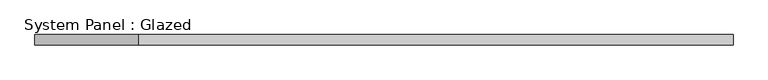
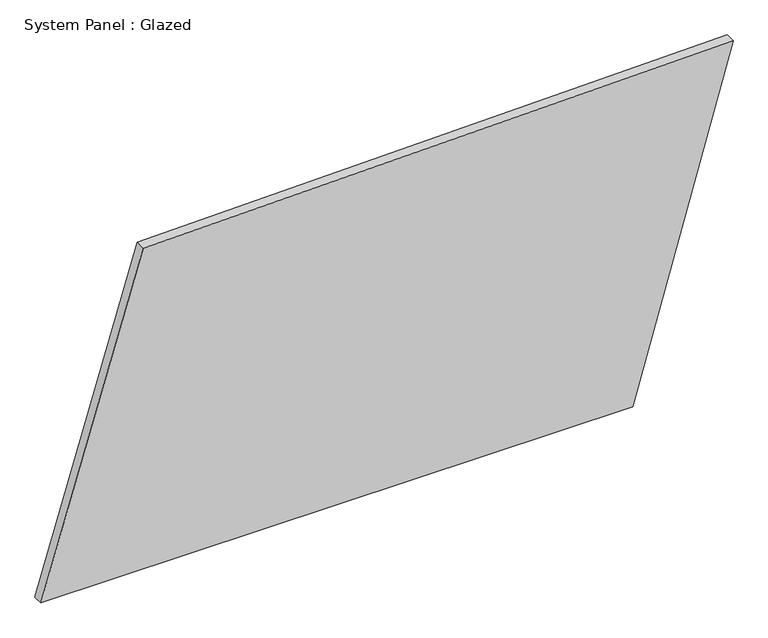
"""IFC4 building model written with IfcOpenShell, lengths in millimetres: plate geometry, System Panel : Glazed."""

from ifc_helpers import new_model, si_unit, frame, origin, place, context, project, spatial, polyline, outline, extrude, source, transform, mapped, element, save


def system_panel_glazed_119a5ce2(model_context):
    return source(origin(), model_context, "Body", "SweptSolid", [
        extrude(outline(polyline([(0.0, -846.4147301), (0.0, 601.4710831), (860.721325, 846.4147301), (829.71338, -596.4558825), (0.0, -846.4147301)])), frame((0.0, -49.5, 0.0), z_axis=(0.0, 1.0, 0.0), x_axis=(0.0, 0.0, 1.0)), (0.0, 0.0, 1.0), 25.0),
    ])


if __name__ == "__main__":
    model = new_model("IFC4")
    model_context = context("Model", 3, world=origin())
    ifc_project = project(units=[si_unit("LENGTHUNIT", "METRE", prefix="MILLI")], contexts=[model_context])
    site = spatial("IfcSite", under=ifc_project)
    building = spatial("IfcBuilding", under=site)
    placement = place(None, origin())
    system_panel_glazed_shape = system_panel_glazed_119a5ce2(model_context)
    element("IfcPlate", 1, ObjectType="System Panel : Glazed", at=placement, inside=building, context=model_context, shape_type="MappedRepresentation", body=[
        mapped(system_panel_glazed_shape, transform((0.0, 0.0, 0.0), x_axis=(1.0, 0.0, 0.0), y_axis=(0.0, 1.0, 0.0), z_axis=(0.0, 0.0, 1.0))),
    ])
    save(model, "model.ifc")
